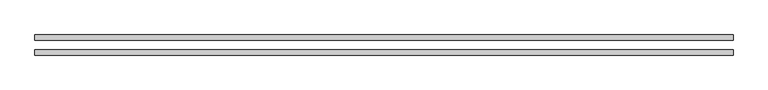
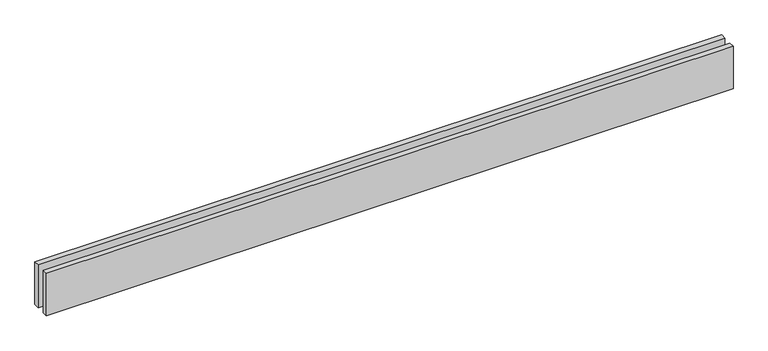
"""IFC4 building model written with IfcOpenShell, lengths in millimetres: proxy geometry."""

import ifcopenshell
import ifcopenshell.guid

model = None  # the IFC model being written
_history = None  # IfcOwnerHistory: only IFC2X3 demands one
_inside = {}  # id of a spatial element -> (the spatial element, [elements in it])
_under = {}  # id of a project, library or spatial element -> (it, [spatial elements below it])
_declared = {}  # id of a project -> (the project, [libraries it declares])
_typed = {}  # id of a type object -> (the type object, [elements of that type])
_made_of = {}  # id of a material, layer set ... -> (it, [elements and type objects made of it])


def new_model(schema):
    """Start an empty IFC model of exactly this schema.

    Asked for "IFC4X3", IfcOpenShell would pick the latest addendum, in which some entities
    have other attributes; the version numbers below select the first issue.
    IFC2X3 requires an IfcOwnerHistory on every rooted entity: one is made here for all.
    """
    global model, _history
    if schema == "IFC4X3":
        model = ifcopenshell.file(schema_version=(4, 3, 0, 0))
    else:
        model = ifcopenshell.file(schema=schema)
    _inside.clear()
    _under.clear()
    _declared.clear()
    _typed.clear()
    _made_of.clear()
    _history = None
    if model.schema == "IFC2X3":
        org = make("IfcOrganization", Name="unknown")
        user = make(
            "IfcPersonAndOrganization",
            ThePerson=make("IfcPerson", FamilyName="unknown"),
            TheOrganization=org,
        )
        app = make(
            "IfcApplication",
            ApplicationDeveloper=org,
            Version="unknown",
            ApplicationFullName="unknown",
            ApplicationIdentifier="unknown",
        )
        _history = make(
            "IfcOwnerHistory",
            OwningUser=user,
            OwningApplication=app,
            ChangeAction="ADDED",
            CreationDate=0,
        )
    return model


def make(cls, **values):
    """One entity of the class cls with the attributes given. An attribute that is None is left unset."""
    return model.create_entity(
        cls, **{name: value for name, value in values.items() if value is not None}
    )


def rooted(cls, **values):
    """An entity with a GlobalId (a new one), such as an element, a storey or a relation."""
    return make(cls, GlobalId=ifcopenshell.guid.new(), OwnerHistory=_history, **values)


def si_unit(unit_type, name, prefix=None):
    """IfcSIUnit, for example si_unit("LENGTHUNIT", "METRE", prefix="MILLI")."""
    return make("IfcSIUnit", UnitType=unit_type, Prefix=prefix, Name=name)


def assignment(units):
    """IfcUnitAssignment: the units of a project."""
    return None if units is None else make("IfcUnitAssignment", Units=units)


def point(xyz):
    """IfcCartesianPoint."""
    return None if xyz is None else make("IfcCartesianPoint", Coordinates=xyz)


def direction(xyz):
    """IfcDirection."""
    return None if xyz is None else make("IfcDirection", DirectionRatios=xyz)


def frame(location, z_axis=None, x_axis=None):
    """IfcAxis2Placement3D, a coordinate frame: its origin and axes. An axis left out is left unset."""
    return make(
        "IfcAxis2Placement3D",
        Location=point(location),
        Axis=direction(z_axis),
        RefDirection=direction(x_axis),
    )


def origin():
    """The frame at (0, 0, 0) with its axes left unset."""
    return frame((0.0, 0.0, 0.0))


def origin_with_axes():
    """The frame at (0, 0, 0) with the z axis (0, 0, 1) and the x axis (1, 0, 0) written out."""
    return frame((0.0, 0.0, 0.0), z_axis=(0.0, 0.0, 1.0), x_axis=(1.0, 0.0, 0.0))


def place(relative_to, where):
    """IfcLocalPlacement: puts the frame where relative to a parent placement (None: the world)."""
    return make(
        "IfcLocalPlacement", PlacementRelTo=relative_to, RelativePlacement=where
    )


def context(
    kind, dimensions, precision=None, world=None, true_north=None, identifier=None
):
    """IfcGeometricRepresentationContext, for example the 3D "Model" context."""
    return make(
        "IfcGeometricRepresentationContext",
        ContextIdentifier=identifier,
        ContextType=kind,
        CoordinateSpaceDimension=dimensions,
        Precision=precision,
        WorldCoordinateSystem=world,
        TrueNorth=true_north,
    )


def project(units=None, contexts=None):
    """IfcProject with its units and contexts."""
    return rooted(
        "IfcProject",
        Name="project",
        RepresentationContexts=contexts,
        UnitsInContext=assignment(units),
    )


def spatial(cls, under=None, at=None, **own):
    """A site, building, storey or space (cls), placed at a placement, below another one or the project."""
    s = rooted(cls, ObjectPlacement=at, **own)
    if under is not None:
        _under.setdefault(under.id(), (under, []))[1].append(s)
    return s


def polyline(points):
    """IfcPolyline through the points."""
    return make("IfcPolyline", Points=[point(p) for p in points])


def outline(outer, holes=None, kind="AREA"):
    """IfcArbitraryClosedProfileDef: a profile drawn as a closed curve; with holes, ...WithVoids."""
    if holes is None:
        return make("IfcArbitraryClosedProfileDef", ProfileType=kind, OuterCurve=outer)
    return make(
        "IfcArbitraryProfileDefWithVoids",
        ProfileType=kind,
        OuterCurve=outer,
        InnerCurves=holes,
    )


def extrude(swept, where, along, depth):
    """IfcExtrudedAreaSolid: the profile swept, set in the frame where, extruded along a direction by depth."""
    return make(
        "IfcExtrudedAreaSolid",
        SweptArea=swept,
        Position=where,
        ExtrudedDirection=direction(along),
        Depth=depth,
    )


def shape(context_of_items, identifier, shape_type, items):
    """IfcShapeRepresentation: the items that make up one representation, for example the "Body"."""
    return make(
        "IfcShapeRepresentation",
        ContextOfItems=context_of_items,
        RepresentationIdentifier=identifier,
        RepresentationType=shape_type,
        Items=items,
    )


def source(mapping_origin, context_of_items, identifier, shape_type, items):
    """IfcRepresentationMap: a shape defined once, which mapped items show again and again."""
    return make(
        "IfcRepresentationMap",
        MappingOrigin=mapping_origin,
        MappedRepresentation=shape(context_of_items, identifier, shape_type, items),
    )


def transform(
    local_origin,
    x_axis=None,
    y_axis=None,
    z_axis=None,
    scale=None,
    scale2=None,
    scale3=None,
    uniform=True,
):
    """IfcCartesianTransformationOperator3D, or its non-uniform kind. x_axis, y_axis, z_axis: its Axis1, 2, 3."""
    if uniform:
        return make(
            "IfcCartesianTransformationOperator3D",
            Axis1=direction(x_axis),
            Axis2=direction(y_axis),
            LocalOrigin=point(local_origin),
            Scale=scale,
            Axis3=direction(z_axis),
        )
    return make(
        "IfcCartesianTransformationOperator3DnonUniform",
        Axis1=direction(x_axis),
        Axis2=direction(y_axis),
        LocalOrigin=point(local_origin),
        Scale=scale,
        Axis3=direction(z_axis),
        Scale2=scale2,
        Scale3=scale3,
    )


def mapped(mapping_source, mapping_target):
    """IfcMappedItem: shows the shape of a source again, moved by a transform."""
    return make(
        "IfcMappedItem", MappingSource=mapping_source, MappingTarget=mapping_target
    )


def made_of(thing, what):
    """Note that an element or type object is made of a material, layer set ...; save() writes the relation."""
    if what is not None:
        _made_of.setdefault(what.id(), (what, []))[1].append(thing)
    return thing


def element(
    cls,
    number,
    at=None,
    inside=None,
    cuts=None,
    type_object=None,
    material=None,
    context=None,
    identifier="Body",
    shape_type=None,
    held_by="IfcProductDefinitionShape",
    body=None,
    shapes=None,
    **own,
):
    """One element of the class cls, such as IfcWall. Its Tag is "e" and its number.

    at: its placement. inside: the storey or other place that contains it. cuts: it is an
    opening in that element (IfcRelVoidsElement). A single representation is given by context,
    identifier, shape_type and body (its items); several are given by shapes. held_by: the class
    of the entity that holds the representations. save() writes the other relations.
    """
    e = rooted(cls, Tag="e%d" % number, ObjectPlacement=at, **own)
    if body is not None:
        shapes = [shape(context, identifier, shape_type, body)]
    if shapes is not None:
        e.Representation = make(held_by, Representations=shapes)
    if inside is not None:
        _inside.setdefault(inside.id(), (inside, []))[1].append(e)
    if cuts is not None:
        rooted(
            "IfcRelVoidsElement", RelatingBuildingElement=cuts, RelatedOpeningElement=e
        )
    if type_object is not None:
        _typed.setdefault(type_object.id(), (type_object, []))[1].append(e)
    return made_of(e, material)


def aggregate(whole, parts):
    """IfcRelAggregates: a whole, such as a stair, and the parts it consists of."""
    return rooted("IfcRelAggregates", RelatingObject=whole, RelatedObjects=parts)


def save(model, path):
    """Write the relations noted so far, then the file.

    IfcRelAggregates (storeys below a building ...), IfcRelContainedInSpatialStructure (elements
    in a storey), IfcRelDefinesByType, IfcRelAssociatesMaterial and IfcRelDeclares: one each for
    every whole, place, type object, material and project.
    """
    for whole, parts in _under.values():
        aggregate(whole, parts)
    for where, things in _inside.values():
        rooted(
            "IfcRelContainedInSpatialStructure",
            RelatedElements=things,
            RelatingStructure=where,
        )
    for kind, things in _typed.values():
        rooted("IfcRelDefinesByType", RelatedObjects=things, RelatingType=kind)
    for what, things in _made_of.values():
        rooted("IfcRelAssociatesMaterial", RelatedObjects=things, RelatingMaterial=what)
    for by, libraries in _declared.values():
        rooted("IfcRelDeclares", RelatingContext=by, RelatedDefinitions=libraries)
    model.write(path)


def generic_models_b03930e6(model_context):
    return source(origin(), model_context, "Body", "SweptSolid", [
        extrude(outline(polyline([(3813.2034356, -25.0), (3813.2034356, -55.0), (0.0, -55.0), (0.0, -25.0), (3813.2034356, -25.0)])), origin_with_axes(), (0.0, 0.0, 1.0), 250.0),
        extrude(outline(polyline([(3813.2034356, 55.0), (3813.2034356, 25.0), (0.0, 25.0), (0.0, 55.0), (3813.2034356, 55.0)])), origin_with_axes(), (0.0, 0.0, 1.0), 250.0),
    ])


if __name__ == "__main__":
    model = new_model("IFC4")
    model_context = context("Model", 3, world=origin())
    ifc_project = project(units=[si_unit("LENGTHUNIT", "METRE", prefix="MILLI")], contexts=[model_context])
    site = spatial("IfcSite", under=ifc_project)
    building = spatial("IfcBuilding", under=site)
    placement = place(None, origin())
    generic_models_shape = generic_models_b03930e6(model_context)
    element("IfcBuildingElementProxy", 1, Name="Generic Models", at=placement, inside=building, context=model_context, shape_type="MappedRepresentation", body=[
        mapped(generic_models_shape, transform((0.0, 0.0, 0.0), x_axis=(1.0, 0.0, 0.0), y_axis=(0.0, 1.0, 0.0), z_axis=(0.0, 0.0, 1.0))),
    ])
    save(model, "model.ifc")
